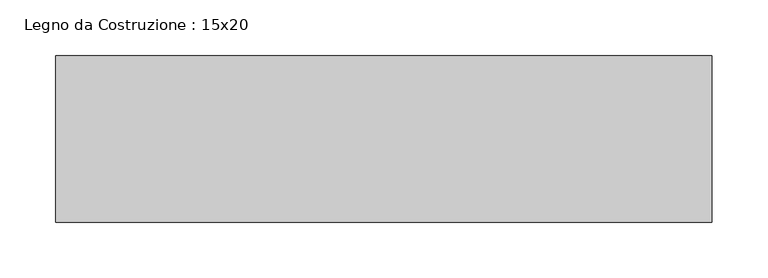
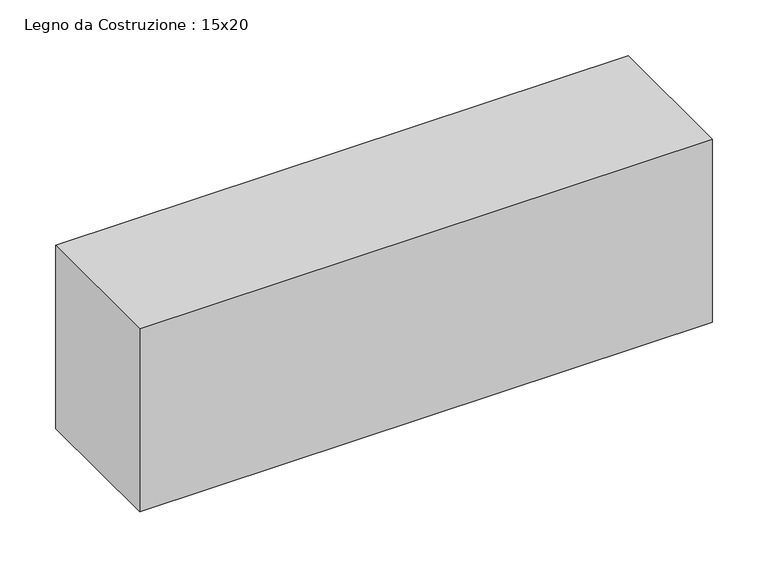
"""IFC4 building model written with IfcOpenShell, lengths in millimetres: beam geometry, Legno da Costruzione : 15x20."""

from ifc_helpers import new_model, si_unit, frame, origin, place, context, project, spatial, polyline, outline, extrude, source, transform, mapped, element, save


def legno_da_costruzione_15x20_ed9f4a0e(model_context):
    return source(origin(), model_context, "Body", "SweptSolid", [
        extrude(outline(polyline([(390.0, 75.0), (390.0, -75.0), (-201.0, -75.0), (-201.0, 75.0), (390.0, 75.0)])), frame((0.0, 0.0, -100.0), z_axis=(0.0, 0.0, 1.0), x_axis=(1.0, 0.0, 0.0)), (0.0, 0.0, 1.0), 200.0),
    ])


if __name__ == "__main__":
    model = new_model("IFC4")
    model_context = context("Model", 3, world=origin())
    ifc_project = project(units=[si_unit("LENGTHUNIT", "METRE", prefix="MILLI")], contexts=[model_context])
    site = spatial("IfcSite", under=ifc_project)
    building = spatial("IfcBuilding", under=site)
    placement = place(None, origin())
    legno_da_costruzione_15x20_shape = legno_da_costruzione_15x20_ed9f4a0e(model_context)
    element("IfcBeam", 1, ObjectType="Legno da Costruzione : 15x20", at=placement, inside=building, context=model_context, shape_type="MappedRepresentation", body=[
        mapped(legno_da_costruzione_15x20_shape, transform((0.0, 0.0, 0.0), x_axis=(1.0, 0.0, 0.0), y_axis=(0.0, 1.0, 0.0), z_axis=(0.0, 0.0, 1.0))),
    ])
    save(model, "model.ifc")
